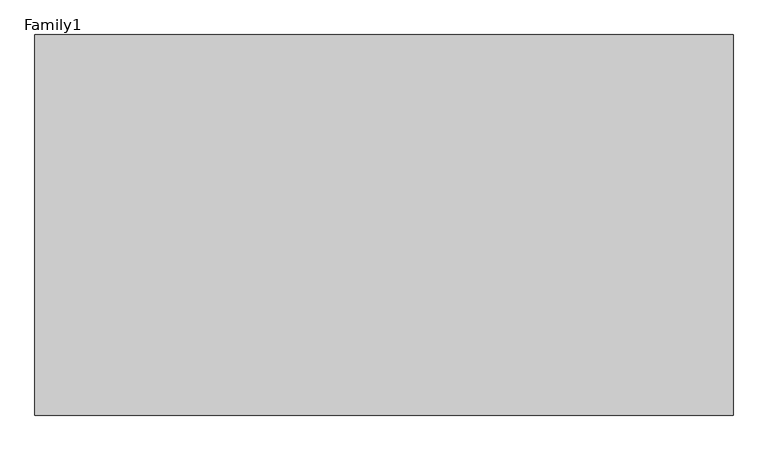
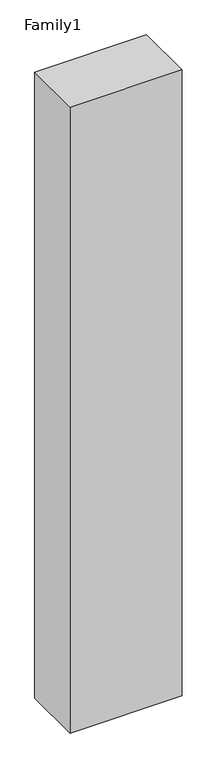
"""IFC4 building model written with IfcOpenShell, lengths in millimetres: proxy geometry, Family1."""

import ifcopenshell
import ifcopenshell.guid

model = None  # the IFC model being written
_history = None  # IfcOwnerHistory: only IFC2X3 demands one
_inside = {}  # id of a spatial element -> (the spatial element, [elements in it])
_under = {}  # id of a project, library or spatial element -> (it, [spatial elements below it])
_declared = {}  # id of a project -> (the project, [libraries it declares])
_typed = {}  # id of a type object -> (the type object, [elements of that type])
_made_of = {}  # id of a material, layer set ... -> (it, [elements and type objects made of it])


def new_model(schema):
    """Start an empty IFC model of exactly this schema.

    Asked for "IFC4X3", IfcOpenShell would pick the latest addendum, in which some entities
    have other attributes; the version numbers below select the first issue.
    IFC2X3 requires an IfcOwnerHistory on every rooted entity: one is made here for all.
    """
    global model, _history
    if schema == "IFC4X3":
        model = ifcopenshell.file(schema_version=(4, 3, 0, 0))
    else:
        model = ifcopenshell.file(schema=schema)
    _inside.clear()
    _under.clear()
    _declared.clear()
    _typed.clear()
    _made_of.clear()
    _history = None
    if model.schema == "IFC2X3":
        org = make("IfcOrganization", Name="unknown")
        user = make(
            "IfcPersonAndOrganization",
            ThePerson=make("IfcPerson", FamilyName="unknown"),
            TheOrganization=org,
        )
        app = make(
            "IfcApplication",
            ApplicationDeveloper=org,
            Version="unknown",
            ApplicationFullName="unknown",
            ApplicationIdentifier="unknown",
        )
        _history = make(
            "IfcOwnerHistory",
            OwningUser=user,
            OwningApplication=app,
            ChangeAction="ADDED",
            CreationDate=0,
        )
    return model


def make(cls, **values):
    """One entity of the class cls with the attributes given. An attribute that is None is left unset."""
    return model.create_entity(
        cls, **{name: value for name, value in values.items() if value is not None}
    )


def rooted(cls, **values):
    """An entity with a GlobalId (a new one), such as an element, a storey or a relation."""
    return make(cls, GlobalId=ifcopenshell.guid.new(), OwnerHistory=_history, **values)


def si_unit(unit_type, name, prefix=None):
    """IfcSIUnit, for example si_unit("LENGTHUNIT", "METRE", prefix="MILLI")."""
    return make("IfcSIUnit", UnitType=unit_type, Prefix=prefix, Name=name)


def assignment(units):
    """IfcUnitAssignment: the units of a project."""
    return None if units is None else make("IfcUnitAssignment", Units=units)


def point(xyz):
    """IfcCartesianPoint."""
    return None if xyz is None else make("IfcCartesianPoint", Coordinates=xyz)


def direction(xyz):
    """IfcDirection."""
    return None if xyz is None else make("IfcDirection", DirectionRatios=xyz)


def frame(location, z_axis=None, x_axis=None):
    """IfcAxis2Placement3D, a coordinate frame: its origin and axes. An axis left out is left unset."""
    return make(
        "IfcAxis2Placement3D",
        Location=point(location),
        Axis=direction(z_axis),
        RefDirection=direction(x_axis),
    )


def origin():
    """The frame at (0, 0, 0) with its axes left unset."""
    return frame((0.0, 0.0, 0.0))


def origin_with_axes():
    """The frame at (0, 0, 0) with the z axis (0, 0, 1) and the x axis (1, 0, 0) written out."""
    return frame((0.0, 0.0, 0.0), z_axis=(0.0, 0.0, 1.0), x_axis=(1.0, 0.0, 0.0))


def place(relative_to, where):
    """IfcLocalPlacement: puts the frame where relative to a parent placement (None: the world)."""
    return make(
        "IfcLocalPlacement", PlacementRelTo=relative_to, RelativePlacement=where
    )


def context(
    kind, dimensions, precision=None, world=None, true_north=None, identifier=None
):
    """IfcGeometricRepresentationContext, for example the 3D "Model" context."""
    return make(
        "IfcGeometricRepresentationContext",
        ContextIdentifier=identifier,
        ContextType=kind,
        CoordinateSpaceDimension=dimensions,
        Precision=precision,
        WorldCoordinateSystem=world,
        TrueNorth=true_north,
    )


def project(units=None, contexts=None):
    """IfcProject with its units and contexts."""
    return rooted(
        "IfcProject",
        Name="project",
        RepresentationContexts=contexts,
        UnitsInContext=assignment(units),
    )


def spatial(cls, under=None, at=None, **own):
    """A site, building, storey or space (cls), placed at a placement, below another one or the project."""
    s = rooted(cls, ObjectPlacement=at, **own)
    if under is not None:
        _under.setdefault(under.id(), (under, []))[1].append(s)
    return s


def polyline(points):
    """IfcPolyline through the points."""
    return make("IfcPolyline", Points=[point(p) for p in points])


def outline(outer, holes=None, kind="AREA"):
    """IfcArbitraryClosedProfileDef: a profile drawn as a closed curve; with holes, ...WithVoids."""
    if holes is None:
        return make("IfcArbitraryClosedProfileDef", ProfileType=kind, OuterCurve=outer)
    return make(
        "IfcArbitraryProfileDefWithVoids",
        ProfileType=kind,
        OuterCurve=outer,
        InnerCurves=holes,
    )


def extrude(swept, where, along, depth):
    """IfcExtrudedAreaSolid: the profile swept, set in the frame where, extruded along a direction by depth."""
    return make(
        "IfcExtrudedAreaSolid",
        SweptArea=swept,
        Position=where,
        ExtrudedDirection=direction(along),
        Depth=depth,
    )


def shape(context_of_items, identifier, shape_type, items):
    """IfcShapeRepresentation: the items that make up one representation, for example the "Body"."""
    return make(
        "IfcShapeRepresentation",
        ContextOfItems=context_of_items,
        RepresentationIdentifier=identifier,
        RepresentationType=shape_type,
        Items=items,
    )


def source(mapping_origin, context_of_items, identifier, shape_type, items):
    """IfcRepresentationMap: a shape defined once, which mapped items show again and again."""
    return make(
        "IfcRepresentationMap",
        MappingOrigin=mapping_origin,
        MappedRepresentation=shape(context_of_items, identifier, shape_type, items),
    )


def transform(
    local_origin,
    x_axis=None,
    y_axis=None,
    z_axis=None,
    scale=None,
    scale2=None,
    scale3=None,
    uniform=True,
):
    """IfcCartesianTransformationOperator3D, or its non-uniform kind. x_axis, y_axis, z_axis: its Axis1, 2, 3."""
    if uniform:
        return make(
            "IfcCartesianTransformationOperator3D",
            Axis1=direction(x_axis),
            Axis2=direction(y_axis),
            LocalOrigin=point(local_origin),
            Scale=scale,
            Axis3=direction(z_axis),
        )
    return make(
        "IfcCartesianTransformationOperator3DnonUniform",
        Axis1=direction(x_axis),
        Axis2=direction(y_axis),
        LocalOrigin=point(local_origin),
        Scale=scale,
        Axis3=direction(z_axis),
        Scale2=scale2,
        Scale3=scale3,
    )


def mapped(mapping_source, mapping_target):
    """IfcMappedItem: shows the shape of a source again, moved by a transform."""
    return make(
        "IfcMappedItem", MappingSource=mapping_source, MappingTarget=mapping_target
    )


def made_of(thing, what):
    """Note that an element or type object is made of a material, layer set ...; save() writes the relation."""
    if what is not None:
        _made_of.setdefault(what.id(), (what, []))[1].append(thing)
    return thing


def element(
    cls,
    number,
    at=None,
    inside=None,
    cuts=None,
    type_object=None,
    material=None,
    context=None,
    identifier="Body",
    shape_type=None,
    held_by="IfcProductDefinitionShape",
    body=None,
    shapes=None,
    **own,
):
    """One element of the class cls, such as IfcWall. Its Tag is "e" and its number.

    at: its placement. inside: the storey or other place that contains it. cuts: it is an
    opening in that element (IfcRelVoidsElement). A single representation is given by context,
    identifier, shape_type and body (its items); several are given by shapes. held_by: the class
    of the entity that holds the representations. save() writes the other relations.
    """
    e = rooted(cls, Tag="e%d" % number, ObjectPlacement=at, **own)
    if body is not None:
        shapes = [shape(context, identifier, shape_type, body)]
    if shapes is not None:
        e.Representation = make(held_by, Representations=shapes)
    if inside is not None:
        _inside.setdefault(inside.id(), (inside, []))[1].append(e)
    if cuts is not None:
        rooted(
            "IfcRelVoidsElement", RelatingBuildingElement=cuts, RelatedOpeningElement=e
        )
    if type_object is not None:
        _typed.setdefault(type_object.id(), (type_object, []))[1].append(e)
    return made_of(e, material)


def aggregate(whole, parts):
    """IfcRelAggregates: a whole, such as a stair, and the parts it consists of."""
    return rooted("IfcRelAggregates", RelatingObject=whole, RelatedObjects=parts)


def save(model, path):
    """Write the relations noted so far, then the file.

    IfcRelAggregates (storeys below a building ...), IfcRelContainedInSpatialStructure (elements
    in a storey), IfcRelDefinesByType, IfcRelAssociatesMaterial and IfcRelDeclares: one each for
    every whole, place, type object, material and project.
    """
    for whole, parts in _under.values():
        aggregate(whole, parts)
    for where, things in _inside.values():
        rooted(
            "IfcRelContainedInSpatialStructure",
            RelatedElements=things,
            RelatingStructure=where,
        )
    for kind, things in _typed.values():
        rooted("IfcRelDefinesByType", RelatedObjects=things, RelatingType=kind)
    for what, things in _made_of.values():
        rooted("IfcRelAssociatesMaterial", RelatedObjects=things, RelatingMaterial=what)
    for by, libraries in _declared.values():
        rooted("IfcRelDeclares", RelatingContext=by, RelatedDefinitions=libraries)
    model.write(path)


def family1_1a6da6a2(model_context):
    return source(origin(), model_context, "Body", "SweptSolid", [
        extrude(outline(polyline([(5500.0, 0.0), (0.0, 0.0), (0.0, 3000.0), (5500.0, 3000.0), (5500.0, 0.0)])), origin_with_axes(), (0.0, 0.0, 1.0), 32500.0),
    ])


if __name__ == "__main__":
    model = new_model("IFC4")
    model_context = context("Model", 3, world=origin())
    ifc_project = project(units=[si_unit("LENGTHUNIT", "METRE", prefix="MILLI")], contexts=[model_context])
    site = spatial("IfcSite", under=ifc_project)
    building = spatial("IfcBuilding", under=site)
    placement = place(None, origin())
    family1_shape = family1_1a6da6a2(model_context)
    element("IfcBuildingElementProxy", 1, Name="Family1", ObjectType="Family1", at=placement, inside=building, context=model_context, shape_type="MappedRepresentation", body=[
        mapped(family1_shape, transform((0.0, 0.0, 0.0), x_axis=(1.0, 0.0, 0.0), y_axis=(0.0, 1.0, 0.0), z_axis=(0.0, 0.0, 1.0))),
    ])
    save(model, "model.ifc")
